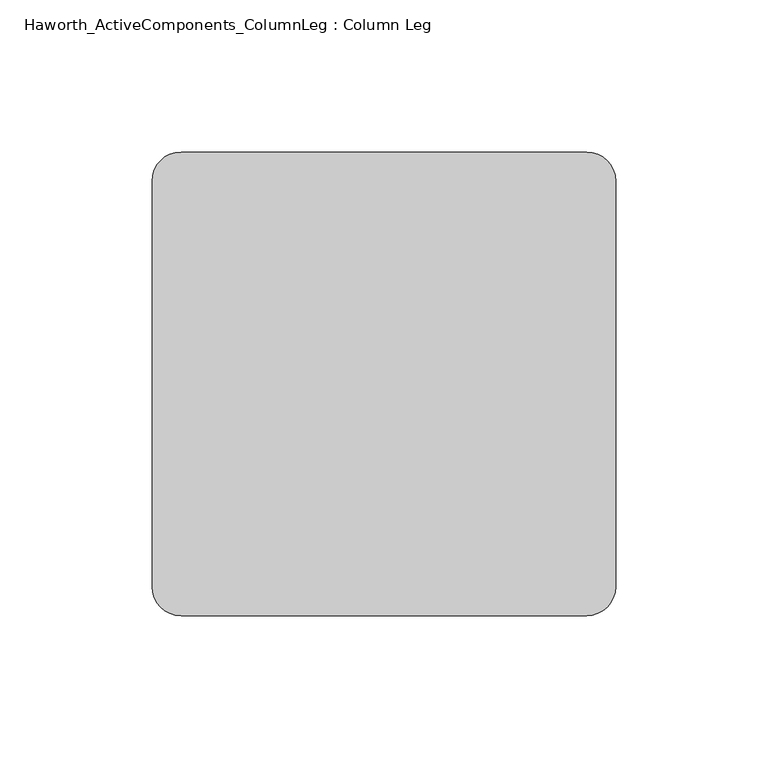
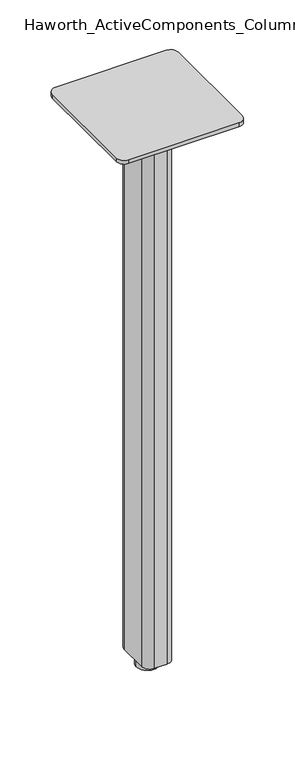
"""IFC4 building model written with IfcOpenShell, lengths in millimetres: furniture geometry, Haworth_ActiveComponents_ColumnLeg : Column Leg."""

from ifc_helpers import new_model, si_unit, point, frame, frame_2d, origin, origin_with_axes, origin_2d, place, context, project, spatial, polyline, circle_curve, trimmed, segment, composite_curve, outline, extrude, source, transform, mapped, element, save


def haworth_activecomponents_columnleg_column_leg_ab79c86b(model_context):
    return source(origin(), model_context, "Body", "SweptSolid", [
        extrude(outline(composite_curve([segment(trimmed(circle_curve(frame_2d((66.675, 66.675)), 9.525), [point((66.675, 76.2))], [point((76.2, 66.675))], False, "CARTESIAN"), True, "CONTINUOUS"), segment(polyline([(76.2, 66.675), (76.2, -66.675)]), True, "CONTINUOUS"), segment(trimmed(circle_curve(frame_2d((66.675, -66.675)), 9.525), [point((76.2, -66.675))], [point((66.675, -76.2))], False, "CARTESIAN"), True, "CONTINUOUS"), segment(polyline([(66.675, -76.2), (-66.675, -76.2)]), True, "CONTINUOUS"), segment(trimmed(circle_curve(frame_2d((-66.675, -66.675)), 9.525), [point((-66.675, -76.2))], [point((-76.2, -66.675))], False, "CARTESIAN"), True, "CONTINUOUS"), segment(polyline([(-76.2, -66.675), (-76.2, 66.675)]), True, "CONTINUOUS"), segment(trimmed(circle_curve(frame_2d((-66.675, 66.675)), 9.525), [point((-76.2, 66.675))], [point((-66.675, 76.2))], False, "CARTESIAN"), True, "CONTINUOUS"), segment(polyline([(-66.675, 76.2), (66.675, 76.2)]), True, "CONTINUOUS")], self_intersect=False)), frame((0.0, 0.0, 706.4375), z_axis=(0.0, 0.0, 1.0), x_axis=(1.0, 0.0, 0.0)), (0.0, 0.0, 1.0), 4.7625),
        extrude(outline(composite_curve([segment(trimmed(circle_curve(origin_2d(), 13.6023831), [point((-13.6023831, 0.0))], [point((13.6023831, 0.0))], False, "CARTESIAN"), True, "CONTINUOUS"), segment(trimmed(circle_curve(origin_2d(), 13.6023831), [point((13.6023831, 0.0))], [point((-13.6023831, 0.0))], False, "CARTESIAN"), True, "CONTINUOUS")], self_intersect=False)), origin_with_axes(), (0.0, 0.0, 1.0), 12.7),
        extrude(outline(composite_curve([segment(trimmed(circle_curve(frame_2d((7.9375, 18.25625)), 9.525), [point((7.9375, 27.78125))], [point((17.4625, 18.25625))], False, "CARTESIAN"), True, "CONTINUOUS"), segment(polyline([(17.4625, 18.25625), (17.4625, -18.25625)]), True, "CONTINUOUS"), segment(trimmed(circle_curve(frame_2d((7.9375, -18.25625)), 9.525), [point((17.4625, -18.25625))], [point((7.9375, -27.78125))], False, "CARTESIAN"), True, "CONTINUOUS"), segment(polyline([(7.9375, -27.78125), (-7.9375, -27.78125)]), True, "CONTINUOUS"), segment(trimmed(circle_curve(frame_2d((-7.9375, -18.25625)), 9.525), [point((-7.9375, -27.78125))], [point((-17.4625, -18.25625))], False, "CARTESIAN"), True, "CONTINUOUS"), segment(polyline([(-17.4625, -18.25625), (-17.4625, 18.25625)]), True, "CONTINUOUS"), segment(trimmed(circle_curve(frame_2d((-7.9375, 18.25625)), 9.525), [point((-17.4625, 18.25625))], [point((-7.9375, 27.78125))], False, "CARTESIAN"), True, "CONTINUOUS"), segment(polyline([(-7.9375, 27.78125), (7.9375, 27.78125)]), True, "CONTINUOUS")], self_intersect=False)), frame((0.0, 0.0, 12.7), z_axis=(0.0, 0.0, 1.0), x_axis=(1.0, 0.0, 0.0)), (0.0, 0.0, 1.0), 693.7375),
    ])


if __name__ == "__main__":
    model = new_model("IFC4")
    model_context = context("Model", 3, world=origin())
    ifc_project = project(units=[si_unit("LENGTHUNIT", "METRE", prefix="MILLI")], contexts=[model_context])
    site = spatial("IfcSite", under=ifc_project)
    building = spatial("IfcBuilding", under=site)
    placement = place(None, origin())
    haworth_activecomponents_columnleg_column_leg_shape = haworth_activecomponents_columnleg_column_leg_ab79c86b(model_context)
    element("IfcFurniture", 1, ObjectType="Haworth_ActiveComponents_ColumnLeg : Column Leg", at=placement, inside=building, context=model_context, shape_type="MappedRepresentation", body=[
        mapped(haworth_activecomponents_columnleg_column_leg_shape, transform((0.0, 0.0, 0.0), x_axis=(1.0, 0.0, 0.0), y_axis=(0.0, 1.0, 0.0), z_axis=(0.0, 0.0, 1.0))),
    ])
    save(model, "model.ifc")
